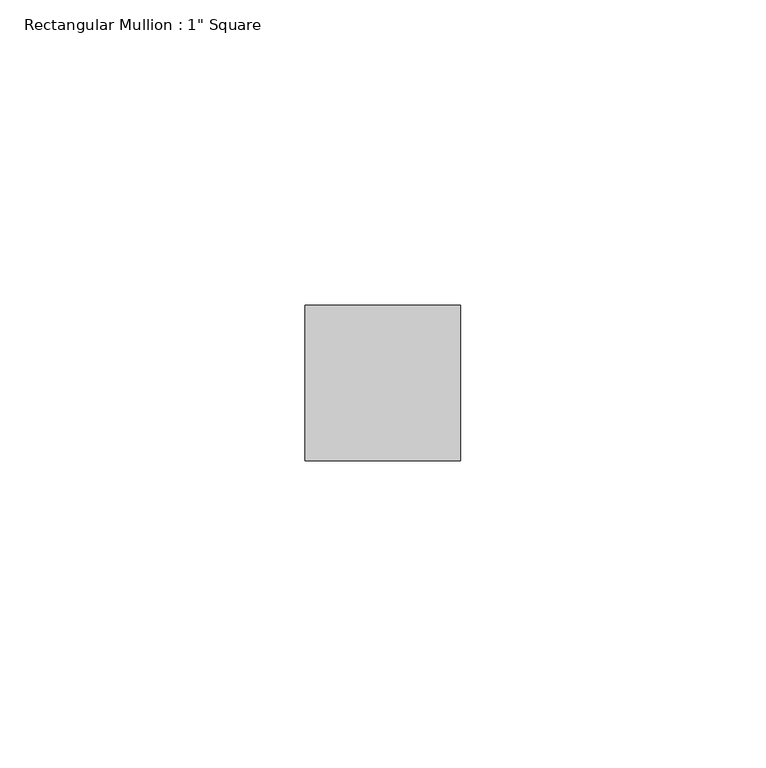
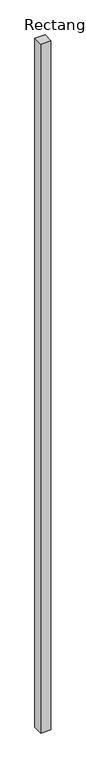
"""IFC4 building model written with IfcOpenShell, lengths in millimetres: member geometry."""

import ifcopenshell
import ifcopenshell.guid

model = None  # the IFC model being written
_history = None  # IfcOwnerHistory: only IFC2X3 demands one
_inside = {}  # id of a spatial element -> (the spatial element, [elements in it])
_under = {}  # id of a project, library or spatial element -> (it, [spatial elements below it])
_declared = {}  # id of a project -> (the project, [libraries it declares])
_typed = {}  # id of a type object -> (the type object, [elements of that type])
_made_of = {}  # id of a material, layer set ... -> (it, [elements and type objects made of it])


def new_model(schema):
    """Start an empty IFC model of exactly this schema.

    Asked for "IFC4X3", IfcOpenShell would pick the latest addendum, in which some entities
    have other attributes; the version numbers below select the first issue.
    IFC2X3 requires an IfcOwnerHistory on every rooted entity: one is made here for all.
    """
    global model, _history
    if schema == "IFC4X3":
        model = ifcopenshell.file(schema_version=(4, 3, 0, 0))
    else:
        model = ifcopenshell.file(schema=schema)
    _inside.clear()
    _under.clear()
    _declared.clear()
    _typed.clear()
    _made_of.clear()
    _history = None
    if model.schema == "IFC2X3":
        org = make("IfcOrganization", Name="unknown")
        user = make(
            "IfcPersonAndOrganization",
            ThePerson=make("IfcPerson", FamilyName="unknown"),
            TheOrganization=org,
        )
        app = make(
            "IfcApplication",
            ApplicationDeveloper=org,
            Version="unknown",
            ApplicationFullName="unknown",
            ApplicationIdentifier="unknown",
        )
        _history = make(
            "IfcOwnerHistory",
            OwningUser=user,
            OwningApplication=app,
            ChangeAction="ADDED",
            CreationDate=0,
        )
    return model


def make(cls, **values):
    """One entity of the class cls with the attributes given. An attribute that is None is left unset."""
    return model.create_entity(
        cls, **{name: value for name, value in values.items() if value is not None}
    )


def rooted(cls, **values):
    """An entity with a GlobalId (a new one), such as an element, a storey or a relation."""
    return make(cls, GlobalId=ifcopenshell.guid.new(), OwnerHistory=_history, **values)


def si_unit(unit_type, name, prefix=None):
    """IfcSIUnit, for example si_unit("LENGTHUNIT", "METRE", prefix="MILLI")."""
    return make("IfcSIUnit", UnitType=unit_type, Prefix=prefix, Name=name)


def assignment(units):
    """IfcUnitAssignment: the units of a project."""
    return None if units is None else make("IfcUnitAssignment", Units=units)


def point(xyz):
    """IfcCartesianPoint."""
    return None if xyz is None else make("IfcCartesianPoint", Coordinates=xyz)


def direction(xyz):
    """IfcDirection."""
    return None if xyz is None else make("IfcDirection", DirectionRatios=xyz)


def frame(location, z_axis=None, x_axis=None):
    """IfcAxis2Placement3D, a coordinate frame: its origin and axes. An axis left out is left unset."""
    return make(
        "IfcAxis2Placement3D",
        Location=point(location),
        Axis=direction(z_axis),
        RefDirection=direction(x_axis),
    )


def origin():
    """The frame at (0, 0, 0) with its axes left unset."""
    return frame((0.0, 0.0, 0.0))


def place(relative_to, where):
    """IfcLocalPlacement: puts the frame where relative to a parent placement (None: the world)."""
    return make(
        "IfcLocalPlacement", PlacementRelTo=relative_to, RelativePlacement=where
    )


def context(
    kind, dimensions, precision=None, world=None, true_north=None, identifier=None
):
    """IfcGeometricRepresentationContext, for example the 3D "Model" context."""
    return make(
        "IfcGeometricRepresentationContext",
        ContextIdentifier=identifier,
        ContextType=kind,
        CoordinateSpaceDimension=dimensions,
        Precision=precision,
        WorldCoordinateSystem=world,
        TrueNorth=true_north,
    )


def project(units=None, contexts=None):
    """IfcProject with its units and contexts."""
    return rooted(
        "IfcProject",
        Name="project",
        RepresentationContexts=contexts,
        UnitsInContext=assignment(units),
    )


def spatial(cls, under=None, at=None, **own):
    """A site, building, storey or space (cls), placed at a placement, below another one or the project."""
    s = rooted(cls, ObjectPlacement=at, **own)
    if under is not None:
        _under.setdefault(under.id(), (under, []))[1].append(s)
    return s


def polyline(points):
    """IfcPolyline through the points."""
    return make("IfcPolyline", Points=[point(p) for p in points])


def outline(outer, holes=None, kind="AREA"):
    """IfcArbitraryClosedProfileDef: a profile drawn as a closed curve; with holes, ...WithVoids."""
    if holes is None:
        return make("IfcArbitraryClosedProfileDef", ProfileType=kind, OuterCurve=outer)
    return make(
        "IfcArbitraryProfileDefWithVoids",
        ProfileType=kind,
        OuterCurve=outer,
        InnerCurves=holes,
    )


def extrude(swept, where, along, depth):
    """IfcExtrudedAreaSolid: the profile swept, set in the frame where, extruded along a direction by depth."""
    return make(
        "IfcExtrudedAreaSolid",
        SweptArea=swept,
        Position=where,
        ExtrudedDirection=direction(along),
        Depth=depth,
    )


def shape(context_of_items, identifier, shape_type, items):
    """IfcShapeRepresentation: the items that make up one representation, for example the "Body"."""
    return make(
        "IfcShapeRepresentation",
        ContextOfItems=context_of_items,
        RepresentationIdentifier=identifier,
        RepresentationType=shape_type,
        Items=items,
    )


def source(mapping_origin, context_of_items, identifier, shape_type, items):
    """IfcRepresentationMap: a shape defined once, which mapped items show again and again."""
    return make(
        "IfcRepresentationMap",
        MappingOrigin=mapping_origin,
        MappedRepresentation=shape(context_of_items, identifier, shape_type, items),
    )


def transform(
    local_origin,
    x_axis=None,
    y_axis=None,
    z_axis=None,
    scale=None,
    scale2=None,
    scale3=None,
    uniform=True,
):
    """IfcCartesianTransformationOperator3D, or its non-uniform kind. x_axis, y_axis, z_axis: its Axis1, 2, 3."""
    if uniform:
        return make(
            "IfcCartesianTransformationOperator3D",
            Axis1=direction(x_axis),
            Axis2=direction(y_axis),
            LocalOrigin=point(local_origin),
            Scale=scale,
            Axis3=direction(z_axis),
        )
    return make(
        "IfcCartesianTransformationOperator3DnonUniform",
        Axis1=direction(x_axis),
        Axis2=direction(y_axis),
        LocalOrigin=point(local_origin),
        Scale=scale,
        Axis3=direction(z_axis),
        Scale2=scale2,
        Scale3=scale3,
    )


def mapped(mapping_source, mapping_target):
    """IfcMappedItem: shows the shape of a source again, moved by a transform."""
    return make(
        "IfcMappedItem", MappingSource=mapping_source, MappingTarget=mapping_target
    )


def made_of(thing, what):
    """Note that an element or type object is made of a material, layer set ...; save() writes the relation."""
    if what is not None:
        _made_of.setdefault(what.id(), (what, []))[1].append(thing)
    return thing


def element(
    cls,
    number,
    at=None,
    inside=None,
    cuts=None,
    type_object=None,
    material=None,
    context=None,
    identifier="Body",
    shape_type=None,
    held_by="IfcProductDefinitionShape",
    body=None,
    shapes=None,
    **own,
):
    """One element of the class cls, such as IfcWall. Its Tag is "e" and its number.

    at: its placement. inside: the storey or other place that contains it. cuts: it is an
    opening in that element (IfcRelVoidsElement). A single representation is given by context,
    identifier, shape_type and body (its items); several are given by shapes. held_by: the class
    of the entity that holds the representations. save() writes the other relations.
    """
    e = rooted(cls, Tag="e%d" % number, ObjectPlacement=at, **own)
    if body is not None:
        shapes = [shape(context, identifier, shape_type, body)]
    if shapes is not None:
        e.Representation = make(held_by, Representations=shapes)
    if inside is not None:
        _inside.setdefault(inside.id(), (inside, []))[1].append(e)
    if cuts is not None:
        rooted(
            "IfcRelVoidsElement", RelatingBuildingElement=cuts, RelatedOpeningElement=e
        )
    if type_object is not None:
        _typed.setdefault(type_object.id(), (type_object, []))[1].append(e)
    return made_of(e, material)


def aggregate(whole, parts):
    """IfcRelAggregates: a whole, such as a stair, and the parts it consists of."""
    return rooted("IfcRelAggregates", RelatingObject=whole, RelatedObjects=parts)


def save(model, path):
    """Write the relations noted so far, then the file.

    IfcRelAggregates (storeys below a building ...), IfcRelContainedInSpatialStructure (elements
    in a storey), IfcRelDefinesByType, IfcRelAssociatesMaterial and IfcRelDeclares: one each for
    every whole, place, type object, material and project.
    """
    for whole, parts in _under.values():
        aggregate(whole, parts)
    for where, things in _inside.values():
        rooted(
            "IfcRelContainedInSpatialStructure",
            RelatedElements=things,
            RelatingStructure=where,
        )
    for kind, things in _typed.values():
        rooted("IfcRelDefinesByType", RelatedObjects=things, RelatingType=kind)
    for what, things in _made_of.values():
        rooted("IfcRelAssociatesMaterial", RelatedObjects=things, RelatingMaterial=what)
    for by, libraries in _declared.values():
        rooted("IfcRelDeclares", RelatingContext=by, RelatedDefinitions=libraries)
    model.write(path)


def member_c36e35e5(model_context):
    return source(origin(), model_context, "Body", "SweptSolid", [
        extrude(outline(polyline([(0.0, 12.7), (0.0, -12.7), (-25.4, -12.7), (-25.4, 12.7), (0.0, 12.7)])), frame((0.0, 0.0, -1828.8), z_axis=(0.0, 0.0, 1.0), x_axis=(1.0, 0.0, 0.0)), (0.0, 0.0, 1.0), 1828.8),
    ])


if __name__ == "__main__":
    model = new_model("IFC4")
    model_context = context("Model", 3, world=origin())
    ifc_project = project(units=[si_unit("LENGTHUNIT", "METRE", prefix="MILLI")], contexts=[model_context])
    site = spatial("IfcSite", under=ifc_project)
    building = spatial("IfcBuilding", under=site)
    placement = place(None, origin())
    member_shape = member_c36e35e5(model_context)
    element("IfcMember", 1, ObjectType="Rectangular Mullion : 1\" Square", at=placement, inside=building, context=model_context, shape_type="MappedRepresentation", body=[
        mapped(member_shape, transform((0.0, 0.0, 0.0), x_axis=(1.0, 0.0, 0.0), y_axis=(0.0, 1.0, 0.0), z_axis=(0.0, 0.0, 1.0))),
    ])
    save(model, "model.ifc")
